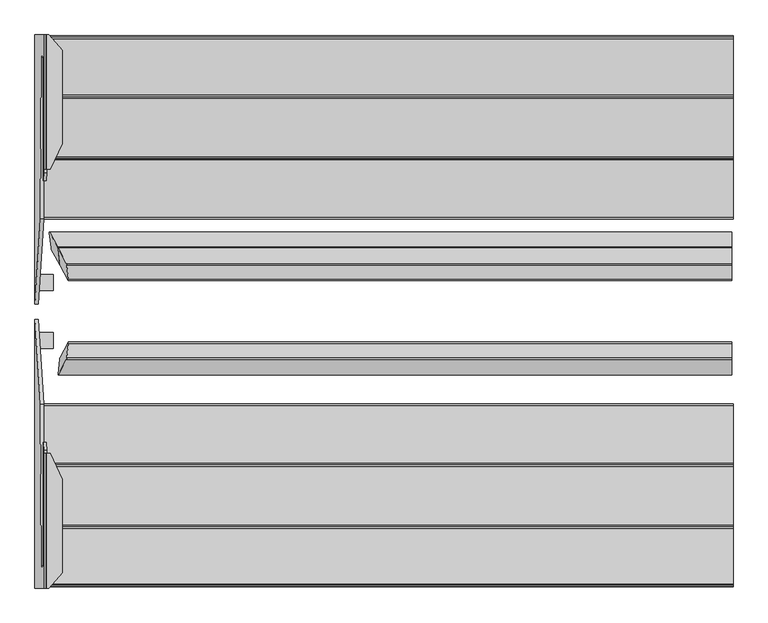
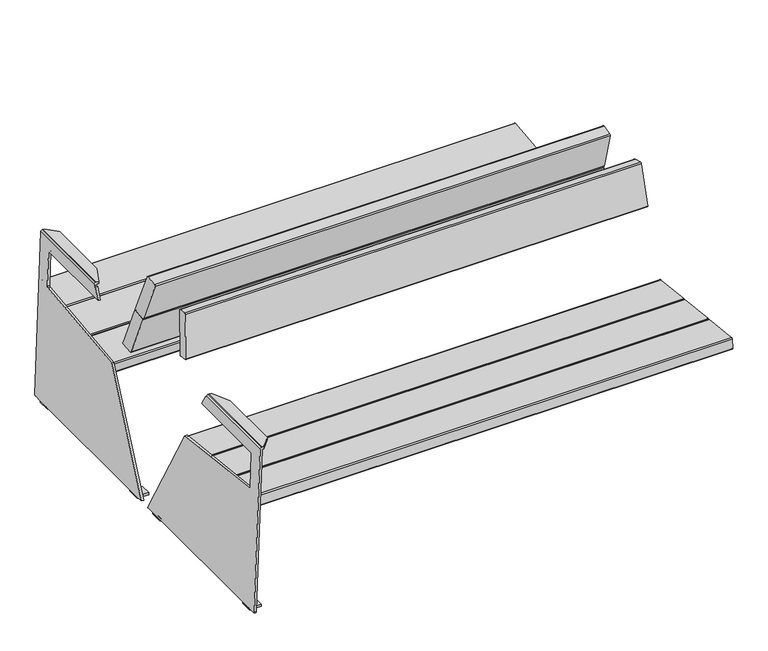
"""IFC4 building model written with IfcOpenShell, lengths in millimetres: furniture geometry."""

from ifc_helpers import new_model, si_unit, point, frame, frame_2d, origin, place, context, project, spatial, polyline, circle_curve, ellipse_curve, trimmed, segment, composite_curve, outline, extrude, source, transform, mapped, element, save
from ifc_brep_helpers import plane_surface, cylinder_surface, revolved_surface, advanced_brep


def furniture_8612ed73(model_context):
    return source(origin(), model_context, "Body", "SolidModel", [
        advanced_brep(
        [(-859.6494877, 1047.2775188, 634.6042367), (-853.6895812, 1047.2775188, 640.3596516), (-851.4436279, 1047.2775188, 640.3596516), (-846.5946295, 1047.2775188, 640.3596516), (-846.5946295, 1047.2775188, 632.2382321), (-850.2766357, 1047.2775188, 632.2382321), (-851.7778593, 1047.2775188, 630.7885173), (-873.3168867, 1047.2775188, 13.9914716), (-881.3120133, 1047.2775188, 14.2706676), (-851.7778593, 710.955021, 630.7885173), (-850.2766357, 710.955021, 632.2382321), (-842.6377771, 710.955021, 632.2382321), (-842.6377771, 710.955021, 640.3596516), (-851.4436279, 710.955021, 640.3596516), (-853.6895812, 710.955021, 640.3596516), (-859.6494877, 710.955021, 634.6042367), (-859.8164077, 710.955021, 629.8242748), (-851.8212811, 710.955021, 629.5450788), (-812.6404131, 1009.5675412, 632.2382321), (-812.6404131, 775.8579308, 632.2382321), (-812.6404131, 1009.5675412, 640.3596516), (-812.6404131, 775.8579308, 640.3596516), (-881.4516113, 1043.2775188, 10.2731042), (-881.4516113, 1014.2989159, 10.2731042), (-881.4516113, 974.2989159, 10.2731042), (-881.4516113, 447.6111261, 10.2731042), (-881.4516113, 407.6111261, 10.2731042), (-881.4516113, 377.6111261, 10.2731042), (-881.4138659, 374.8756351, 11.3539925), (-867.5075955, 586.3612074, 409.5774734), (-865.9556261, 992.0575716, 454.0200604), (-865.8167736, 995.6219916, 457.9962761), (-861.3419594, 995.6219083, 586.1381898), (-861.2022765, 991.626389, 590.1381847), (-861.1901816, 682.4359884, 590.4845362), (-859.8164077, 703.328245, 629.8242748), (-851.8212811, 703.328245, 629.5450788), (-853.1853111, 682.5841736, 590.4843702), (-853.1974001, 991.626389, 590.1381847), (-853.337083, 995.6219083, 586.1381898), (-857.8118973, 995.6219916, 457.9962761), (-857.9507498, 992.0575716, 454.0200604), (-859.5021169, 586.5186397, 409.5947195), (-873.4187392, 374.8756351, 11.0747965), (-873.4564847, 377.6111261, 9.9939083), (-873.4564847, 407.6111261, 9.9939083), (-873.4886988, 407.6111261, 9.0714168), (-873.4886988, 447.6111261, 9.0714168), (-873.4564847, 447.6111261, 9.9939083), (-873.4564847, 974.2989159, 9.9939083), (-873.4886988, 974.2989159, 9.0714168), (-873.4886988, 1014.2989159, 9.0714168), (-873.4564847, 1014.2989159, 9.9939083), (-873.4564847, 1043.2775188, 9.9939083), (-872.4540437, 1014.2989159, 8.0), (-835.810356, 1014.2989159, 8.0), (-835.810356, 1014.2989159, 0.0), (-873.5140122, 1014.2989159, 0.0), (-881.4516113, 1014.2989159, 8.2703475), (-872.4540437, 974.2989159, 8.0), (-881.4516113, 974.2989159, 8.2703475), (-873.5140122, 974.2989159, 0.0), (-835.810356, 974.2989159, 0.0), (-835.810356, 974.2989159, 8.0), (-872.4540437, 407.6111261, 8.0), (-881.4516113, 407.6111261, 8.2703475), (-873.5140122, 407.6111261, 0.0), (-835.810356, 407.6111261, 0.0), (-835.810356, 407.6111261, 8.0), (-872.4540437, 447.6111261, 8.0), (-835.810356, 447.6111261, 8.0), (-835.810356, 447.6111261, 0.0), (-873.5140122, 447.6111261, 0.0), (-881.4516113, 447.6111261, 8.2703475)],
        [
            (0, 1, circle_curve(frame((-853.6895812, 1047.2775188, 634.3961122), z_axis=(0.0, 1.0, 0.0), x_axis=(1.0, 0.0, 0.0)), 5.9635394)),
            (1, 2),
            (2, 3),
            (3, 4),
            (4, 5),
            (5, 6, circle_curve(frame((-850.2766357, 1047.2775188, 630.7360934), z_axis=(0.0, -1.0, 0.0), x_axis=(1.0, 0.0, 0.0)), 1.5021387)),
            (6, 7),
            (7, 8),
            (8, 0),
            (9, 10, circle_curve(frame((-850.2766357, 710.955021, 630.7360934), z_axis=(0.0, 1.0, 0.0), x_axis=(1.0, 0.0, 0.0)), 1.5021387)),
            (10, 11),
            (11, 12),
            (12, 13),
            (13, 14),
            (14, 15, circle_curve(frame((-853.6895812, 710.955021, 634.3961122), z_axis=(0.0, -1.0, 0.0), x_axis=(1.0, 0.0, 0.0)), 5.9635394)),
            (15, 16),
            (16, 17),
            (17, 9),
            (10, 5),
            (4, 18),
            (18, 19),
            (19, 11),
            (18, 20),
            (20, 21),
            (21, 19),
            (2, 13),
            (12, 21),
            (20, 3),
            (1, 14),
            (15, 0),
            (8, 22, circle_curve(frame((-881.3120133, 1043.2775188, 14.2706676), z_axis=(-0.9993908270190959, 0.0, 0.0348994967025008), x_axis=(-0.0348994967025008, 0.0, -0.9993908270190959)), 4.0)),
            (22, 23),
            (23, 24),
            (24, 25),
            (25, 26),
            (26, 27),
            (27, 28, circle_curve(frame((-881.3120088, 377.6111261, 14.2707962), z_axis=(-0.9993908270190959, 0.0, 0.0348994967025008), x_axis=(-0.0348994967025008, 0.0, -0.9993908270190959)), 4.0001287)),
            (28, 29),
            (29, 30),
            (30, 31, ellipse_curve(frame((-865.8167737, 991.6219916, 457.9962735), z_axis=(0.9993908270190961, 0.0, -0.03489949670249125), x_axis=(0.03489949670248915, 0.0, 0.9993908270190963)), 4.0024382, 4.0)),
            (31, 32),
            (32, 33, ellipse_curve(frame((-861.3419595, 991.6219083, 586.1381872), z_axis=(0.9993908270190961, 0.0, -0.03489949670249125), x_axis=(0.03489949670248915, 0.0, 0.9993908270190963)), 4.0024382, 4.0)),
            (33, 34),
            (34, 35),
            (35, 16),
            (6, 9),
            (17, 36),
            (36, 37),
            (37, 38),
            (38, 39, ellipse_curve(frame((-853.3370831, 991.6219083, 586.1381872), z_axis=(-0.9993908270190955, 0.0, 0.03489949670250719), x_axis=(0.03489949670250501, 0.0, 0.9993908270190955)), 4.0024382, 4.0)),
            (39, 40),
            (40, 41, ellipse_curve(frame((-857.8118974, 991.6219916, 457.9962735), z_axis=(-0.9993908270190955, 0.0, 0.03489949670250719), x_axis=(0.03489949670250501, 0.0, 0.9993908270190955)), 4.0024382, 4.0)),
            (41, 42),
            (42, 43),
            (43, 44, circle_curve(frame((-873.3168822, 377.6111261, 13.9916002), z_axis=(0.9993908270190959, 0.0, -0.0348994967025008), x_axis=(-0.0348994967025008, 0.0, -0.9993908270190959)), 4.0001287)),
            (44, 45),
            (45, 46),
            (46, 47),
            (47, 48),
            (48, 49),
            (49, 50),
            (50, 51),
            (51, 52),
            (52, 53),
            (53, 7, circle_curve(frame((-873.3168867, 1043.2775188, 13.9914716), z_axis=(0.9993908270190959, 0.0, -0.0348994967025008), x_axis=(-0.0348994967025008, 0.0, -0.9993908270190959)), 4.0)),
            (28, 43),
            (42, 29),
            (36, 35),
            (34, 37),
            (27, 44),
            (26, 45),
            (22, 53),
            (52, 23),
            (24, 49),
            (48, 25),
            (54, 55),
            (55, 56),
            (56, 57),
            (57, 58, circle_curve(frame((-873.1742893, 1014.2989159, 8.2703475), z_axis=(0.0, 1.0, 0.0), x_axis=(1.0, 0.0, 0.0)), 8.277322)),
            (58, 23),
            (51, 54, circle_curve(frame((-872.4540437, 1014.2989159, 9.0352858), z_axis=(0.0, -1.0, 0.0), x_axis=(1.0, 0.0, 0.0)), 1.0352858)),
            (59, 50, circle_curve(frame((-872.4540437, 974.2989159, 9.0352858), z_axis=(0.0, 1.0, 0.0), x_axis=(1.0, 0.0, 0.0)), 1.0352858)),
            (24, 60),
            (60, 61, circle_curve(frame((-873.1742893, 974.2989159, 8.2703475), z_axis=(0.0, -1.0, 0.0), x_axis=(1.0, 0.0, 0.0)), 8.277322)),
            (61, 62),
            (62, 63),
            (63, 59),
            (59, 54),
            (56, 62),
            (61, 57),
            (55, 63),
            (58, 60),
            (64, 46, circle_curve(frame((-872.4540437, 407.6111261, 9.0352858), z_axis=(0.0, 1.0, 0.0), x_axis=(1.0, 0.0, 0.0)), 1.0352858)),
            (26, 65),
            (65, 66, circle_curve(frame((-873.1742893, 407.6111261, 8.2703475), z_axis=(0.0, -1.0, 0.0), x_axis=(1.0, 0.0, 0.0)), 8.277322)),
            (66, 67),
            (67, 68),
            (68, 64),
            (69, 70),
            (70, 71),
            (71, 72),
            (72, 73, circle_curve(frame((-873.1742893, 447.6111261, 8.2703475), z_axis=(0.0, 1.0, 0.0), x_axis=(1.0, 0.0, 0.0)), 8.277322)),
            (73, 25),
            (47, 69, circle_curve(frame((-872.4540437, 447.6111261, 9.0352858), z_axis=(0.0, -1.0, 0.0), x_axis=(1.0, 0.0, 0.0)), 1.0352858)),
            (64, 69),
            (66, 72),
            (71, 67),
            (70, 68),
            (73, 65),
            (33, 38),
            (32, 39),
            (31, 40),
            (30, 41),
        ],
        [
            plane_surface(frame((-847.7260418, 1047.2775188, 634.3961122), z_axis=(0.0, 1.0, 0.0), x_axis=(0.0, 0.0, -1.0))),
            plane_surface(frame((-847.7260418, 710.955021, 634.3961122), z_axis=(0.0, -1.0, 0.0), x_axis=(0.0, 0.0, 1.0))),
            plane_surface(frame((-812.6404131, 1047.2775188, 632.2382321), z_axis=(0.0, 0.0, -1.0), x_axis=(0.0, -1.0, 0.0))),
            plane_surface(frame((-812.6404131, 1047.2775188, 640.3596516), z_axis=(1.0, 0.0, 0.0), x_axis=(0.0, -1.0, 0.0))),
            plane_surface(frame((-851.4436279, 1047.2775188, 640.3596516), z_axis=(0.0, 0.0, 1.0), x_axis=(0.0, -1.0, 0.0))),
            plane_surface(frame((-853.6895812, 1047.2775188, 640.3596516), z_axis=(0.0, 0.0, 1.0), x_axis=(0.0, -1.0, 0.0))),
            plane_surface(frame((-859.8862566, 1047.2775188, 627.8240627), z_axis=(-0.9993908270190961, 0.0, 0.03489949670249125), x_axis=(0.0, -1.0, 0.0))),
            cylinder_surface(frame((-853.6895812, 710.955021, 634.3961122), z_axis=(0.0, 1.0, 0.0), x_axis=(1.0, 0.0, 0.0)), 5.9635394),
            plane_surface(frame((-851.7778593, 1047.2775188, 630.7885173), z_axis=(0.9993908270190955, 0.0, -0.03489949670250719), x_axis=(0.0, -1.0, 0.0))),
            revolved_surface(polyline([(-848.774497, 710.955021, 630.7360934), (-848.774497, 1047.2775188, 630.7360934)]), (-850.2766357, 710.955021, 630.7360934), (0.0, -1.0, 0.0)),
            plane_surface(frame((-842.6377771, 710.955021, 616.5713791), z_axis=(0.9077348201474655, -0.419544391324504, 0.0), x_axis=(0.0, 0.0, 1.0))),
            plane_surface(frame((-812.6352383, 1009.5617939, 616.5713791), z_axis=(0.7431448254773957, 0.6691306063588567, 0.0), x_axis=(0.0, 0.0, 1.0))),
            plane_surface(frame((-881.4138659, 374.8756351, 11.3539925), z_axis=(0.01636123681982897, -0.8832989769010682, 0.46852452159438995), x_axis=(0.9993908270190958, 0.0, -0.034899496702500754))),
            cylinder_surface(frame((-873.3168822, 377.6111261, 13.9916002), z_axis=(-0.9993908270190959, 0.0, 0.0348994967025008), x_axis=(-0.0348994967025008, 0.0, -0.9993908270190959)), 4.0001287),
            plane_surface(frame((-881.4516113, 1043.2775188, 10.2731042), z_axis=(-0.034899496702500754, 0.0, -0.9993908270190958), x_axis=(0.9993908270190958, 0.0, -0.034899496702500754))),
            cylinder_surface(frame((-873.3168867, 1043.2775188, 13.9914716), z_axis=(-0.9993908270190959, 0.0, 0.0348994967025008), x_axis=(-0.0348994967025008, 0.0, -0.9993908270190959)), 4.0),
            plane_surface(frame((-859.8164077, 703.328245, 629.8242748), z_axis=(0.034899496702506035, 0.0, 0.9993908270190955), x_axis=(0.9993908270190955, 0.0, -0.034899496702506035))),
            plane_surface(frame((-835.810356, 1014.2989159, 8.0), z_axis=(0.0, 1.0, 0.0), x_axis=(1.0, 0.0, 0.0))),
            plane_surface(frame((-835.810356, 974.2989159, 8.0), z_axis=(0.0, -1.0, 0.0), x_axis=(-1.0, 0.0, 0.0))),
            revolved_surface(polyline([(-871.4187579000001, 974.2989159, 9.0352858), (-871.4187579000001, 1014.2989159, 9.0352858)]), (-872.4540437, 974.2989159, 9.0352858), (0.0, -1.0, 0.0)),
            plane_surface(frame((-835.810356, 1014.2989159, 0.0), z_axis=(0.0, 0.0, -1.0), x_axis=(0.0, -1.0, 0.0))),
            plane_surface(frame((-835.810356, 1014.2989159, 8.0), z_axis=(1.0, 0.0, 0.0), x_axis=(0.0, -1.0, 0.0))),
            plane_surface(frame((-872.4540437, 1014.2989159, 8.0), z_axis=(0.0, 0.0, 1.0), x_axis=(0.0, -1.0, 0.0))),
            plane_surface(frame((-881.4516113, 1014.2989159, 8.2703475), z_axis=(-1.0, 0.0, 0.0), x_axis=(0.0, -1.0, 0.0))),
            cylinder_surface(frame((-873.1742893, 974.2989159, 8.2703475), z_axis=(0.0, 1.0, 0.0), x_axis=(1.0, 0.0, 0.0)), 8.277322),
            plane_surface(frame((-871.4187578, 407.6111261, 9.0352858), z_axis=(0.0, -1.0, 0.0), x_axis=(0.0, 0.0, -1.0))),
            plane_surface(frame((-871.4187578, 447.6111261, 9.0352858), z_axis=(0.0, 1.0, 0.0), x_axis=(0.0, 0.0, 1.0))),
            revolved_surface(polyline([(-871.4187579000001, 447.6111261, 9.0352858), (-871.4187579000001, 407.6111261, 9.0352858)]), (-872.4540437, 447.6111261, 9.0352858), (0.0, 1.0, 0.0)),
            plane_surface(frame((-873.5140122, 407.6111261, 0.0), z_axis=(0.0, 0.0, -1.0), x_axis=(0.0, 1.0, 0.0))),
            plane_surface(frame((-835.810356, 407.6111261, 0.0), z_axis=(1.0, 0.0, 0.0), x_axis=(0.0, 1.0, 0.0))),
            plane_surface(frame((-835.810356, 407.6111261, 8.0), z_axis=(0.0, 0.0, 1.0), x_axis=(0.0, 1.0, 0.0))),
            plane_surface(frame((-881.4516113, 407.6111261, 10.2731042), z_axis=(-1.0, 0.0, 0.0), x_axis=(0.0, 1.0, 0.0))),
            cylinder_surface(frame((-873.1742893, 447.6111261, 8.2703475), z_axis=(0.0, -1.0, 0.0), x_axis=(1.0, 0.0, 0.0)), 8.277322),
            plane_surface(frame((-812.6404131, 991.626389, 590.1381847), z_axis=(0.0, -0.0011201877232388628, -0.9999993725895355), x_axis=(-1.0, 0.0, 0.0))),
            revolved_surface(polyline([(-853.1974000212371, 995.6219083, 586.1381872), (-861.4816425787628, 995.6219083, 586.1381872)]), (-919.9232064, 991.6219083, 586.1381872), (1.0, 0.0, 0.0)),
            plane_surface(frame((-812.6404131, 995.6219916, 457.9962761), z_axis=(0.0, -0.9999999999997885, -6.504329975293946e-07), x_axis=(-1.0, 0.0, 0.0))),
            revolved_surface(polyline([(-857.6722143212371, 995.6219916, 457.9962735), (-865.9564567787628, 995.6219916, 457.9962735)]), (-919.9232064, 991.6219916, 457.9962735), (1.0, 0.0, 0.0)),
            plane_surface(frame((-812.6404131, 586.0959716, 409.5484177), z_axis=(0.0, -0.10889498268372896, 0.994053259511939), x_axis=(-1.0, 0.0, 0.0))),
        ],
        [
            (0, [[1, 2, 3, 4, 5, 6, 7, 8, 9]]),
            (1, [[10, 11, 12, 13, 14, 15, 16, 17, 18]]),
            (2, [[19, -5, 20, 21, 22, -11]]),
            (3, [[-21, 23, 24, 25]]),
            (4, [[26, -13, 27, -24, 28, -3]]),
            (5, [[-2, 29, -14, -26]]),
            (6, [[30, -9, 31, 32, 33, 34, 35, 36, 37, 38, 39, 40, 41, 42, 43, 44, 45, -16]]),
            (7, [[-1, -30, -15, -29]]),
            (8, [[46, -18, 47, 48, 49, 50, 51, 52, 53, 54, 55, 56, 57, 58, 59, 60, 61, 62, 63, 64, 65, -7]]),
            (9, [[-6, -19, -10, -46]]),
            (10, [[-12, -22, -25, -27]]),
            (11, [[-4, -28, -23, -20]]),
            (12, [[66, -54, 67, -38]]),
            (12, [[68, -44, 69, -48]]),
            (13, [[-37, 70, -55, -66]]),
            (14, [[-70, -36, 71, -56]]),
            (14, [[72, -64, 73, -32]]),
            (14, [[74, -60, 75, -34]]),
            (15, [[-31, -8, -65, -72]]),
            (16, [[-68, -47, -17, -45]]),
            (17, [[76, 77, 78, 79, 80, -73, -63, 81]]),
            (18, [[82, -61, -74, 83, 84, 85, 86, 87]]),
            (19, [[-81, -62, -82, 88]]),
            (20, [[-78, 89, -85, 90]]),
            (21, [[-77, 91, -86, -89]]),
            (22, [[-76, -88, -87, -91]]),
            (23, [[-80, 92, -83, -33]]),
            (24, [[-79, -90, -84, -92]]),
            (25, [[93, -57, -71, 94, 95, 96, 97, 98]]),
            (26, [[99, 100, 101, 102, 103, -75, -59, 104]]),
            (27, [[-93, 105, -104, -58]]),
            (28, [[-96, 106, -101, 107]]),
            (29, [[-97, -107, -100, 108]]),
            (30, [[-98, -108, -99, -105]]),
            (31, [[-94, -35, -103, 109]]),
            (32, [[-95, -109, -102, -106]]),
            (33, [[110, -49, -69, -43]]),
            (34, [[-110, -42, 111, -50]]),
            (35, [[-111, -41, 112, -51]]),
            (36, [[-112, -40, 113, -52]]),
            (37, [[-113, -39, -67, -53]]),
        ],
    ),
        extrude(outline(composite_curve([segment(polyline([(123.89758, 403.0394202), (120.1847471, 369.0041334)]), True, "CONTINUOUS"), segment(trimmed(circle_curve(frame_2d((116.2083371, 369.4379111)), 4.0), [point((120.1847471, 369.0041334))], [point((115.7745594, 365.461501))], False, "CARTESIAN"), True, "CONTINUOUS"), segment(polyline([(115.7745594, 365.461501), (-28.0119942, 381.1468525)]), True, "CONTINUOUS"), segment(trimmed(circle_curve(frame_2d((-27.5782165, 385.1232626)), 4.0), [point((-28.0119942, 381.1468525))], [point((-31.5546266, 385.5570402))], False, "CARTESIAN"), True, "CONTINUOUS"), segment(polyline([(-31.5546266, 385.5570402), (-27.8415449, 419.594608)]), True, "CONTINUOUS"), segment(trimmed(circle_curve(frame_2d((-23.8651349, 419.1608304)), 4.0), [point((-27.8415449, 419.594608))], [point((-23.4312942, 423.1372336))], False, "CARTESIAN"), True, "CONTINUOUS"), segment(polyline([(-23.4312942, 423.1372336), (120.3550106, 407.449601)]), True, "CONTINUOUS"), segment(trimmed(circle_curve(frame_2d((119.9211699, 403.4731979)), 4.0), [point((120.3550106, 407.449601))], [point((123.89758, 403.0394202))], False, "CARTESIAN"), True, "CONTINUOUS")], self_intersect=False)), frame((-862.7477225, 0.0, 0.0), z_axis=(1.0, 0.0, 0.0), x_axis=(0.0, 1.0, 0.0)), (0.0, 0.0, 1.0), 1726.2047102),
        extrude(outline(composite_curve([segment(polyline([(-27.8415312, 419.5947342), (-31.5546192, 385.5571081)]), True, "CONTINUOUS"), segment(trimmed(circle_curve(frame_2d((-35.5310293, 385.9908857)), 4.0), [point((-31.5546192, 385.5571081))], [point((-35.9648069, 382.0144756))], False, "CARTESIAN"), True, "CONTINUOUS"), segment(polyline([(-35.9648069, 382.0144756), (-182.9047672, 398.0438252)]), True, "CONTINUOUS"), segment(trimmed(circle_curve(frame_2d((-182.4709896, 402.0202353)), 4.0), [point((-182.9047672, 398.0438252))], [point((-186.4473996, 402.4540129))], False, "CARTESIAN"), True, "CONTINUOUS"), segment(polyline([(-186.4473996, 402.4540129), (-182.7340573, 436.49397)]), True, "CONTINUOUS"), segment(trimmed(circle_curve(frame_2d((-178.7576472, 436.0601924)), 4.0), [point((-182.7340573, 436.49397))], [point((-178.3238065, 440.0365956))], False, "CARTESIAN"), True, "CONTINUOUS"), segment(polyline([(-178.3238065, 440.0365956), (-31.3841005, 424.004915)]), True, "CONTINUOUS"), segment(trimmed(circle_curve(frame_2d((-31.8179412, 420.0285118)), 4.0), [point((-31.3841005, 424.004915))], [point((-27.8415312, 419.5947342))], False, "CARTESIAN"), True, "CONTINUOUS")], self_intersect=False)), frame((-862.7477225, 0.0, 0.0), z_axis=(1.0, 0.0, 0.0), x_axis=(0.0, 1.0, 0.0)), (0.0, 0.0, 1.0), 1726.2047102),
        extrude(outline(composite_curve([segment(polyline([(-182.7340435, 436.4940962), (-186.4473882, 402.4541179)]), True, "CONTINUOUS"), segment(trimmed(circle_curve(frame_2d((-190.4237982, 402.8878955)), 4.0), [point((-186.4473882, 402.4541179))], [point((-190.8575759, 398.9114855))], False, "CARTESIAN"), True, "CONTINUOUS"), segment(polyline([(-190.8575759, 398.9114855), (-329.8125073, 414.0697662)]), True, "CONTINUOUS"), segment(trimmed(circle_curve(frame_2d((-329.3787297, 418.0461763)), 4.0), [point((-329.8125073, 414.0697662))], [point((-333.3551397, 418.4799539))], False, "CARTESIAN"), True, "CONTINUOUS"), segment(polyline([(-333.3551397, 418.4799539), (-329.6415546, 452.5221365)]), True, "CONTINUOUS"), segment(trimmed(circle_curve(frame_2d((-325.6651446, 452.0883589)), 4.0), [point((-329.6415546, 452.5221365))], [point((-325.2313039, 456.0647621))], False, "CARTESIAN"), True, "CONTINUOUS"), segment(polyline([(-325.2313039, 456.0647621), (-186.2766129, 440.904277)]), True, "CONTINUOUS"), segment(trimmed(circle_curve(frame_2d((-186.7104536, 436.9278738)), 4.0), [point((-186.2766129, 440.904277))], [point((-182.7340435, 436.4940962))], False, "CARTESIAN"), True, "CONTINUOUS")], self_intersect=False)), frame((-862.7477225, 0.0, 0.0), z_axis=(1.0, 0.0, 0.0), x_axis=(0.0, 1.0, 0.0)), (0.0, 0.0, 1.0), 1726.2047102),
        advanced_brep(
        [(-819.5114244, 475.6484569, 632.7883109), (-818.5151549, 470.7317492, 635.5858488), (-797.9147476, 432.4980687, 774.7668691), (-797.769216, 435.295586, 779.6835409), (-801.703828, 470.9736937, 789.4847667), (-802.7000976, 475.8904015, 786.687229), (-823.300506, 514.1240904, 647.506209), (-823.4460376, 511.3265729, 642.5895369), (859.6028254, 475.6484569, 632.7883109), (859.6028254, 511.3265729, 642.5895369), (859.6028254, 514.1240904, 647.506209), (859.6028254, 475.8904015, 786.687229), (859.6028254, 470.9736937, 789.4847667), (859.6028254, 435.295586, 779.6835409), (859.6028254, 432.4980687, 774.7668691), (859.6028254, 470.7317492, 635.5858488)],
        [
            (0, 1, ellipse_curve(frame((-818.9405239, 474.5888618, 636.6454158), z_axis=(-0.9845272064646966, -0.13817840671662318, 0.10776320173452716), x_axis=(0.175231788585349, -0.776345444263946, 0.6054598016712555)), 4.0628639, 4.0)),
            (1, 2),
            (2, 3, ellipse_curve(frame((-798.3401166, 436.3551813, 775.8264361), z_axis=(-0.9845272064646966, -0.13817840671662318, 0.10776320173452716), x_axis=(0.175231788585349, -0.776345444263946, 0.6054598016712555)), 4.0628639, 4.0)),
            (3, 4),
            (4, 5, ellipse_curve(frame((-802.2747286, 472.033289, 785.6276619), z_axis=(-0.9845272064646966, -0.13817840671662318, 0.10776320173452716), x_axis=(0.175231788585349, -0.776345444263946, 0.6054598016712555)), 4.0628639, 4.0)),
            (5, 6),
            (6, 7, ellipse_curve(frame((-822.875137, 510.2669778, 646.4466418), z_axis=(-0.9845272064646966, -0.13817840671662318, 0.10776320173452716), x_axis=(0.175231788585349, -0.776345444263946, 0.6054598016712555)), 4.0628639, 4.0)),
            (7, 0),
            (8, 9),
            (9, 10, circle_curve(frame((859.6028254, 510.2669778, 646.4466418), z_axis=(1.0, 0.0, 0.0), x_axis=(0.0, 1.0, 0.0)), 4.0)),
            (10, 11),
            (11, 12, circle_curve(frame((859.6028254, 472.033289, 785.6276619), z_axis=(1.0, 0.0, 0.0), x_axis=(0.0, 1.0, 0.0)), 4.0)),
            (12, 13),
            (13, 14, circle_curve(frame((859.6028254, 436.3551813, 775.8264361), z_axis=(1.0, 0.0, 0.0), x_axis=(0.0, 1.0, 0.0)), 4.0)),
            (14, 15),
            (15, 8, circle_curve(frame((859.6028254, 474.5888618, 636.6454158), z_axis=(1.0, 0.0, 0.0), x_axis=(0.0, 1.0, 0.0)), 4.0)),
            (15, 1),
            (0, 8),
            (14, 2),
            (13, 3),
            (12, 4),
            (11, 5),
            (10, 6),
            (9, 7),
        ],
        [
            plane_surface(frame((-841.6872716, 510.5395139, 474.9279847), z_axis=(-0.9845272064646966, -0.13817840671662318, 0.10776320173452716), x_axis=(-0.10213209083076567, 0.9522059736125502, 0.2878763968079209))),
            plane_surface(frame((859.6028254, 511.3265975, 642.5895436), z_axis=(1.0, 0.0, 0.0), x_axis=(0.0, 0.9642762254474659, 0.2648987750760428))),
            cylinder_surface(frame((-826.6787284, 474.5888618, 636.6454158), z_axis=(1.0, 0.0, 0.0), x_axis=(0.0, 1.0, 0.0)), 4.0),
            plane_surface(frame((859.6028254, 432.4980687, 774.7668691), z_axis=(0.0, -0.9642781573688651, -0.2648917424558689), x_axis=(-1.0, 0.0, 0.0))),
            cylinder_surface(frame((-826.6787284, 436.3551813, 775.8264361), z_axis=(1.0, 0.0, 0.0), x_axis=(0.0, 1.0, 0.0)), 4.0),
            plane_surface(frame((859.6028254, 470.9736937, 789.4847667), z_axis=(0.0, -0.2648988265500041, 0.9642762113069215), x_axis=(-1.0, 0.0, 0.0))),
            cylinder_surface(frame((-826.6787284, 472.033289, 785.6276619), z_axis=(1.0, 0.0, 0.0), x_axis=(0.0, 1.0, 0.0)), 4.0),
            plane_surface(frame((859.6028254, 514.1240904, 647.506209), z_axis=(0.0, 0.9642781425237718, 0.2648917964960497), x_axis=(-1.0, 0.0, 0.0))),
            cylinder_surface(frame((-826.6787284, 510.2669778, 646.4466418), z_axis=(1.0, 0.0, 0.0), x_axis=(0.0, 1.0, 0.0)), 4.0),
            plane_surface(frame((859.6028254, 475.6484569, 632.7883109), z_axis=(0.0, 0.2648987750760428, -0.9642762254474659), x_axis=(-1.0, 0.0, 0.0))),
        ],
        [
            (0, [[1, 2, 3, 4, 5, 6, 7, 8]]),
            (1, [[9, 10, 11, 12, 13, 14, 15, 16]]),
            (2, [[-16, 17, -1, 18]]),
            (3, [[-15, 19, -2, -17]]),
            (4, [[-14, 20, -3, -19]]),
            (5, [[-13, 21, -4, -20]]),
            (6, [[-12, 22, -5, -21]]),
            (7, [[-11, 23, -6, -22]]),
            (8, [[-10, 24, -7, -23]]),
            (9, [[-9, -18, -8, -24]]),
        ],
    ),
        advanced_brep(
        [(859.6028254, 515.8225178, 486.5435624), (859.6028254, 551.5006334, 496.3447884), (859.6028254, 554.2981509, 501.2614604), (859.6028254, 516.2431611, 639.7919674), (859.6028254, 511.3264532, 642.589505), (859.6028254, 475.6483459, 632.7882793), (859.6028254, 472.8508286, 627.8716075), (859.6028254, 510.90581, 489.3411004), (-840.1610677, 510.90581, 489.3411004), (-841.1573372, 515.8225178, 486.5435624), (-819.6569439, 472.8508286, 627.8716075), (-819.5114123, 475.6483459, 632.7882793), (-823.4460243, 511.3264532, 642.589505), (-824.4422939, 516.2431611, 639.7919674), (-844.9464188, 554.2981509, 501.2614604), (-845.0919504, 551.5006334, 496.3447884)],
        [
            (0, 1),
            (1, 2, circle_curve(frame((859.6028254, 550.4410383, 500.2018933), z_axis=(1.0, 0.0, 0.0), x_axis=(0.0, 1.0, 0.0)), 4.0)),
            (2, 3),
            (3, 4, circle_curve(frame((859.6028254, 512.3860486, 638.7324002), z_axis=(1.0, 0.0, 0.0), x_axis=(0.0, 1.0, 0.0)), 4.0)),
            (4, 5),
            (5, 6, circle_curve(frame((859.6028254, 476.7079412, 628.9311745), z_axis=(1.0, 0.0, 0.0), x_axis=(0.0, 1.0, 0.0)), 4.0)),
            (6, 7),
            (7, 0, circle_curve(frame((859.6028254, 514.7629227, 490.4006673), z_axis=(1.0, 0.0, 0.0), x_axis=(0.0, 1.0, 0.0)), 4.0)),
            (7, 8),
            (8, 9, ellipse_curve(frame((-840.5864367, 514.7629227, 490.4006673), z_axis=(0.9845272064646966, 0.13817840671662318, -0.10776320173452716), x_axis=(0.175231788585349, -0.776345444263946, 0.6054598016712555)), 4.0628639, 4.0)),
            (9, 0),
            (6, 10),
            (10, 8),
            (5, 11),
            (11, 10, ellipse_curve(frame((-820.0823129, 476.7079412, 628.9311745), z_axis=(0.9845272064646966, 0.13817840671662318, -0.10776320173452716), x_axis=(0.175231788585349, -0.776345444263946, 0.6054598016712555)), 4.0628639, 4.0)),
            (4, 12),
            (12, 11),
            (3, 13),
            (13, 12, ellipse_curve(frame((-824.0169249, 512.3860486, 638.7324002), z_axis=(0.9845272064646966, 0.13817840671662318, -0.10776320173452716), x_axis=(0.175231788585349, -0.776345444263946, 0.6054598016712555)), 4.0628639, 4.0)),
            (2, 14),
            (14, 13),
            (1, 15),
            (15, 14, ellipse_curve(frame((-844.5210498, 550.4410383, 500.2018933), z_axis=(0.9845272064646966, 0.13817840671662318, -0.10776320173452716), x_axis=(0.175231788585349, -0.776345444263946, 0.6054598016712555)), 4.0628639, 4.0)),
            (9, 15),
        ],
        [
            plane_surface(frame((859.6028254, 551.5006208, 496.3447849), z_axis=(1.0, 0.0, 0.0), x_axis=(0.0, 0.964276225447465, 0.26489877507604587))),
            cylinder_surface(frame((-849.4957131, 514.7629227, 490.4006673), z_axis=(1.0, 0.0, 0.0), x_axis=(0.0, 1.0, 0.0)), 4.0),
            plane_surface(frame((859.6028254, 472.8508286, 627.8716075), z_axis=(0.0, -0.9642781573688654, -0.2648917424558683), x_axis=(-1.0, 0.0, 0.0))),
            cylinder_surface(frame((-849.4957131, 476.7079412, 628.9311745), z_axis=(1.0, 0.0, 0.0), x_axis=(0.0, 1.0, 0.0)), 4.0),
            plane_surface(frame((859.6028254, 511.3264532, 642.589505), z_axis=(0.0, -0.2648988265500034, 0.9642762113069218), x_axis=(-1.0, 0.0, 0.0))),
            cylinder_surface(frame((-849.4957131, 512.3860486, 638.7324002), z_axis=(1.0, 0.0, 0.0), x_axis=(0.0, 1.0, 0.0)), 4.0),
            plane_surface(frame((859.6028254, 554.2981509, 501.2614604), z_axis=(0.0, 0.9642781425237719, 0.26489179649604944), x_axis=(-1.0, 0.0, 0.0))),
            cylinder_surface(frame((-849.4957131, 550.4410383, 500.2018933), z_axis=(1.0, 0.0, 0.0), x_axis=(0.0, 1.0, 0.0)), 4.0),
            plane_surface(frame((859.6028254, 515.8225178, 486.5435624), z_axis=(0.0, 0.26489877507604587, -0.964276225447465), x_axis=(-1.0, 0.0, 0.0))),
            plane_surface(frame((-841.6872716, 510.5395139, 474.9279847), z_axis=(-0.9845272064646966, -0.13817840671662318, 0.10776320173452716), x_axis=(-0.10213209083076567, 0.9522059736125502, 0.2878763968079209))),
        ],
        [
            (0, [[1, 2, 3, 4, 5, 6, 7, 8]]),
            (1, [[-8, 9, 10, 11]]),
            (2, [[-7, 12, 13, -9]]),
            (3, [[-6, 14, 15, -12]]),
            (4, [[-5, 16, 17, -14]]),
            (5, [[-4, 18, 19, -16]]),
            (6, [[-3, 20, 21, -18]]),
            (7, [[-2, 22, 23, -20]]),
            (8, [[-1, -11, 24, -22]]),
            (9, [[-10, -13, -15, -17, -19, -21, -23, -24]]),
        ],
    ),
        extrude(outline(polyline([(0.0, -19.9999999), (0.0, 0.0), (1612.8148813, 0.0), (1612.8148813, -19.9999999), (0.0, -19.9999999)])), frame((806.271869, 708.9963741, 329.0549245), z_axis=(0.0, -0.10862274800818948, 0.9940830441241564), x_axis=(-1.0, 0.0, 0.0)), (0.0, 0.0, 1.0), 40.0),
        extrude(outline(polyline([(0.0, -20.0), (0.0, 0.0), (1612.8148813, 0.0), (1612.8148813, -20.0), (0.0, -20.0)])), frame((806.271869, 923.2070815, 352.4615763), z_axis=(0.0, -0.10862274800818948, 0.9940830441241564), x_axis=(-1.0, 0.0, 0.0)), (0.0, 0.0, 1.0), 40.0),
        extrude(outline(composite_curve([segment(trimmed(circle_curve(frame_2d((591.158367, 402.3317688)), 4.0), [point((587.181957, 401.8979912))], [point((590.7245263, 406.308172))], False, "CARTESIAN"), True, "CONTINUOUS"), segment(polyline([(590.7245263, 406.308172), (733.6827839, 421.9054614)]), True, "CONTINUOUS"), segment(trimmed(circle_curve(frame_2d((734.1166246, 417.9290582)), 4.0), [point((733.6827839, 421.9054614))], [point((738.0930346, 418.3628359))], False, "CARTESIAN"), True, "CONTINUOUS"), segment(polyline([(738.0930346, 418.3628359), (741.6815989, 385.4667103)]), True, "CONTINUOUS"), segment(trimmed(circle_curve(frame_2d((737.7051889, 385.0329326)), 4.0), [point((741.6815989, 385.4667103))], [point((738.1389665, 381.0565226))], False, "CARTESIAN"), True, "CONTINUOUS"), segment(polyline([(738.1389665, 381.0565226), (595.1804616, 365.461501)]), True, "CONTINUOUS"), segment(trimmed(circle_curve(frame_2d((594.7466839, 369.4379111)), 4.0), [point((595.1804616, 365.461501))], [point((590.7702739, 369.0041334))], False, "CARTESIAN"), True, "CONTINUOUS"), segment(polyline([(590.7702739, 369.0041334), (587.181957, 401.8979912)]), True, "CONTINUOUS")], self_intersect=False)), frame((-862.974681, 0.0, 0.0), z_axis=(1.0, 0.0, 0.0), x_axis=(0.0, 1.0, 0.0)), (0.0, 0.0, 1.0), 1726.4316686),
        extrude(outline(composite_curve([segment(trimmed(circle_curve(frame_2d((742.0694309, 418.7967396)), 4.0), [point((738.0930209, 418.362962))], [point((741.6355902, 422.7731428))], False, "CARTESIAN"), True, "CONTINUOUS"), segment(polyline([(741.6355902, 422.7731428), (888.3456792, 438.7797713)]), True, "CONTINUOUS"), segment(trimmed(circle_curve(frame_2d((888.7795199, 434.8033681)), 4.0), [point((888.3456792, 438.7797713))], [point((892.7559299, 435.2371458))], False, "CARTESIAN"), True, "CONTINUOUS"), segment(polyline([(892.7559299, 435.2371458), (896.3447545, 402.3386345)]), True, "CONTINUOUS"), segment(trimmed(circle_curve(frame_2d((892.3683444, 401.9048569)), 4.0), [point((896.3447545, 402.3386345))], [point((892.8021221, 397.9284468))], False, "CARTESIAN"), True, "CONTINUOUS"), segment(polyline([(892.8021221, 397.9284468), (746.0917792, 381.9241457)]), True, "CONTINUOUS"), segment(trimmed(circle_curve(frame_2d((745.6580016, 385.9005557)), 4.0), [point((746.0917792, 381.9241457))], [point((741.6815915, 385.4667781))], False, "CARTESIAN"), True, "CONTINUOUS"), segment(polyline([(741.6815915, 385.4667781), (738.0930209, 418.362962)]), True, "CONTINUOUS")], self_intersect=False)), frame((-862.974681, 0.0, 0.0), z_axis=(1.0, 0.0, 0.0), x_axis=(0.0, 1.0, 0.0)), (0.0, 0.0, 1.0), 1726.4316686),
        extrude(outline(composite_curve([segment(trimmed(circle_curve(frame_2d((896.7323262, 435.6710496)), 4.0), [point((892.7559162, 435.2372719))], [point((896.2984855, 439.6474527))], False, "CARTESIAN"), True, "CONTINUOUS"), segment(polyline([(896.2984855, 439.6474527), (1036.8835263, 454.9858152)]), True, "CONTINUOUS"), segment(trimmed(circle_curve(frame_2d((1037.317367, 451.009412)), 4.0), [point((1036.8835263, 454.9858152))], [point((1041.2937771, 451.4431896))], False, "CARTESIAN"), True, "CONTINUOUS"), segment(polyline([(1041.2937771, 451.4431896), (1044.8828472, 418.542427)]), True, "CONTINUOUS"), segment(trimmed(circle_curve(frame_2d((1040.9064372, 418.1086494)), 4.0), [point((1044.8828472, 418.542427))], [point((1041.3402148, 414.1322393))], False, "CARTESIAN"), True, "CONTINUOUS"), segment(polyline([(1041.3402148, 414.1322393), (900.7549307, 398.7961071)]), True, "CONTINUOUS"), segment(trimmed(circle_curve(frame_2d((900.3211531, 402.7725171)), 4.0), [point((900.7549307, 398.7961071))], [point((896.344743, 402.3387395))], False, "CARTESIAN"), True, "CONTINUOUS"), segment(polyline([(896.344743, 402.3387395), (892.7559162, 435.2372719)]), True, "CONTINUOUS")], self_intersect=False)), frame((-862.974681, 0.0, 0.0), z_axis=(1.0, 0.0, 0.0), x_axis=(0.0, 1.0, 0.0)), (0.0, 0.0, 1.0), 1726.4316686),
        advanced_brep(
        [(-851.7778593, -336.3224978, 630.7885173), (-850.2766357, -336.3224978, 632.2382321), (-846.5946295, -336.3224978, 632.2382321), (-846.5946295, -336.3224978, 640.3596516), (-851.4436279, -336.3224978, 640.3596516), (-853.6895812, -336.3224978, 640.3596516), (-859.6494877, -336.3224978, 634.6042367), (-881.3120133, -336.3224978, 14.2706676), (-873.3168867, -336.3224978, 13.9914716), (-859.6494877, 0.0, 634.6042367), (-853.6895812, 0.0, 640.3596516), (-851.4436279, 0.0, 640.3596516), (-842.6377771, 0.0, 640.3596516), (-842.6377771, 0.0, 632.2382321), (-850.2766357, 0.0, 632.2382321), (-851.7778593, 0.0, 630.7885173), (-851.8212811, 0.0, 629.5450788), (-859.8164077, 0.0, 629.8242748), (-812.6404131, -64.9029098, 632.2382321), (-812.6404131, -298.6125202, 632.2382321), (-812.6404131, -64.9029098, 640.3596516), (-812.6404131, -298.6125202, 640.3596516), (-859.8164077, 7.626776, 629.8242748), (-861.1901816, 28.5190326, 590.4845362), (-861.2022765, -280.671368, 590.1381847), (-861.3419594, -284.6668873, 586.1381898), (-865.8167736, -284.6669706, 457.9962761), (-865.9556261, -281.1025506, 454.0200604), (-867.5075955, 124.5938136, 409.5774734), (-881.4138659, 336.0793859, 11.3539925), (-881.4516113, 333.3438949, 10.2731042), (-881.4516113, 303.3438949, 10.2731042), (-881.4516113, 263.3438949, 10.2731042), (-881.4516113, -263.3438949, 10.2731042), (-881.4516113, -303.3438949, 10.2731042), (-881.4516113, -332.3224978, 10.2731042), (-873.4564847, -332.3224978, 9.9939083), (-873.4564847, -303.3438949, 9.9939083), (-873.4886988, -303.3438949, 9.0714168), (-873.4886988, -263.3438949, 9.0714168), (-873.4564847, -263.3438949, 9.9939083), (-873.4564847, 263.3438949, 9.9939083), (-873.4886988, 263.3438949, 9.0714168), (-873.4886988, 303.3438949, 9.0714168), (-873.4564847, 303.3438949, 9.9939083), (-873.4564847, 333.3438949, 9.9939083), (-873.4187392, 336.0793859, 11.0747965), (-859.5021169, 124.4363813, 409.5947195), (-857.9507498, -281.1025506, 454.0200604), (-857.8118973, -284.6669706, 457.9962761), (-853.337083, -284.6668873, 586.1381898), (-853.1974001, -280.671368, 590.1381847), (-853.1853111, 28.3708474, 590.4843702), (-851.8212811, 7.626776, 629.5450788), (-872.4540437, -303.3438949, 8.0), (-881.4516113, -303.3438949, 8.2703475), (-873.5140122, -303.3438949, 0.0), (-835.810356, -303.3438949, 0.0), (-835.810356, -303.3438949, 8.0), (-872.4540437, -263.3438949, 8.0), (-835.810356, -263.3438949, 8.0), (-835.810356, -263.3438949, 0.0), (-873.5140122, -263.3438949, 0.0), (-881.4516113, -263.3438949, 8.2703475), (-872.4540437, 303.3438949, 8.0), (-835.810356, 303.3438949, 8.0), (-835.810356, 303.3438949, 0.0), (-873.5140122, 303.3438949, 0.0), (-881.4516113, 303.3438949, 8.2703475), (-872.4540437, 263.3438949, 8.0), (-881.4516113, 263.3438949, 8.2703475), (-873.5140122, 263.3438949, 0.0), (-835.810356, 263.3438949, 0.0), (-835.810356, 263.3438949, 8.0)],
        [
            (0, 1, circle_curve(frame((-850.2766357, -336.3224978, 630.7360934), z_axis=(0.0, 1.0, 0.0), x_axis=(1.0, 0.0, 0.0)), 1.5021387)),
            (1, 2),
            (2, 3),
            (3, 4),
            (4, 5),
            (5, 6, circle_curve(frame((-853.6895812, -336.3224978, 634.3961122), z_axis=(0.0, -1.0, 0.0), x_axis=(1.0, 0.0, 0.0)), 5.9635394)),
            (6, 7),
            (7, 8),
            (8, 0),
            (9, 10, circle_curve(frame((-853.6895812, 0.0, 634.3961122), z_axis=(0.0, 1.0, 0.0), x_axis=(1.0, 0.0, 0.0)), 5.9635394)),
            (10, 11),
            (11, 12),
            (12, 13),
            (13, 14),
            (14, 15, circle_curve(frame((-850.2766357, 0.0, 630.7360934), z_axis=(0.0, -1.0, 0.0), x_axis=(1.0, 0.0, 0.0)), 1.5021387)),
            (15, 16),
            (16, 17),
            (17, 9),
            (1, 14),
            (13, 18),
            (18, 19),
            (19, 2),
            (18, 20),
            (20, 21),
            (21, 19),
            (11, 4),
            (3, 21),
            (20, 12),
            (10, 5),
            (6, 9),
            (17, 22),
            (22, 23),
            (23, 24),
            (24, 25, ellipse_curve(frame((-861.3419595, -280.6668873, 586.1381872), z_axis=(0.9993908270190961, 0.0, -0.03489949670249125), x_axis=(0.03489949670248915, 0.0, 0.9993908270190963)), 4.0024382, 4.0)),
            (25, 26),
            (26, 27, ellipse_curve(frame((-865.8167737, -280.6669706, 457.9962735), z_axis=(0.9993908270190961, 0.0, -0.03489949670249125), x_axis=(0.03489949670248915, 0.0, 0.9993908270190963)), 4.0024382, 4.0)),
            (27, 28),
            (28, 29),
            (29, 30, circle_curve(frame((-881.3120088, 333.3438949, 14.2707962), z_axis=(-0.9993908270190959, 0.0, 0.0348994967025008), x_axis=(-0.0348994967025008, 0.0, -0.9993908270190959)), 4.0001287)),
            (30, 31),
            (31, 32),
            (32, 33),
            (33, 34),
            (34, 35),
            (35, 7, circle_curve(frame((-881.3120133, -332.3224978, 14.2706676), z_axis=(-0.9993908270190959, 0.0, 0.0348994967025008), x_axis=(-0.0348994967025008, 0.0, -0.9993908270190959)), 4.0)),
            (15, 0),
            (8, 36, circle_curve(frame((-873.3168867, -332.3224978, 13.9914716), z_axis=(0.9993908270190959, 0.0, -0.0348994967025008), x_axis=(-0.0348994967025008, 0.0, -0.9993908270190959)), 4.0)),
            (36, 37),
            (37, 38),
            (38, 39),
            (39, 40),
            (40, 41),
            (41, 42),
            (42, 43),
            (43, 44),
            (44, 45),
            (45, 46, circle_curve(frame((-873.3168822, 333.3438949, 13.9916002), z_axis=(0.9993908270190959, 0.0, -0.0348994967025008), x_axis=(-0.0348994967025008, 0.0, -0.9993908270190959)), 4.0001287)),
            (46, 47),
            (47, 48),
            (48, 49, ellipse_curve(frame((-857.8118974, -280.6669706, 457.9962735), z_axis=(-0.9993908270190955, 0.0, 0.03489949670250719), x_axis=(0.03489949670250501, 0.0, 0.9993908270190955)), 4.0024382, 4.0)),
            (49, 50),
            (50, 51, ellipse_curve(frame((-853.3370831, -280.6668873, 586.1381872), z_axis=(-0.9993908270190955, 0.0, 0.03489949670250719), x_axis=(0.03489949670250501, 0.0, 0.9993908270190955)), 4.0024382, 4.0)),
            (51, 52),
            (52, 53),
            (53, 16),
            (22, 53),
            (52, 23),
            (46, 29),
            (28, 47),
            (45, 30),
            (44, 31),
            (36, 35),
            (34, 37),
            (40, 33),
            (32, 41),
            (54, 38, circle_curve(frame((-872.4540437, -303.3438949, 9.0352858), z_axis=(0.0, 1.0, 0.0), x_axis=(1.0, 0.0, 0.0)), 1.0352858)),
            (34, 55),
            (55, 56, circle_curve(frame((-873.1742893, -303.3438949, 8.2703475), z_axis=(0.0, -1.0, 0.0), x_axis=(1.0, 0.0, 0.0)), 8.277322)),
            (56, 57),
            (57, 58),
            (58, 54),
            (59, 60),
            (60, 61),
            (61, 62),
            (62, 63, circle_curve(frame((-873.1742893, -263.3438949, 8.2703475), z_axis=(0.0, 1.0, 0.0), x_axis=(1.0, 0.0, 0.0)), 8.277322)),
            (63, 33),
            (39, 59, circle_curve(frame((-872.4540437, -263.3438949, 9.0352858), z_axis=(0.0, -1.0, 0.0), x_axis=(1.0, 0.0, 0.0)), 1.0352858)),
            (54, 59),
            (56, 62),
            (61, 57),
            (60, 58),
            (63, 55),
            (64, 65),
            (65, 66),
            (66, 67),
            (67, 68, circle_curve(frame((-873.1742893, 303.3438949, 8.2703475), z_axis=(0.0, 1.0, 0.0), x_axis=(1.0, 0.0, 0.0)), 8.277322)),
            (68, 31),
            (43, 64, circle_curve(frame((-872.4540437, 303.3438949, 9.0352858), z_axis=(0.0, -1.0, 0.0), x_axis=(1.0, 0.0, 0.0)), 1.0352858)),
            (69, 42, circle_curve(frame((-872.4540437, 263.3438949, 9.0352858), z_axis=(0.0, 1.0, 0.0), x_axis=(1.0, 0.0, 0.0)), 1.0352858)),
            (32, 70),
            (70, 71, circle_curve(frame((-873.1742893, 263.3438949, 8.2703475), z_axis=(0.0, -1.0, 0.0), x_axis=(1.0, 0.0, 0.0)), 8.277322)),
            (71, 72),
            (72, 73),
            (73, 69),
            (69, 64),
            (66, 72),
            (71, 67),
            (65, 73),
            (68, 70),
            (51, 24),
            (50, 25),
            (49, 26),
            (48, 27),
        ],
        [
            plane_surface(frame((-859.8862566, -336.3224978, 627.8240627), z_axis=(0.0, -1.0, 0.0), x_axis=(-0.03489949670249125, 0.0, -0.9993908270190961))),
            plane_surface(frame((-859.8862566, 0.0, 627.8240627), z_axis=(0.0, 1.0, 0.0), x_axis=(0.03489949670249125, 0.0, 0.9993908270190961))),
            plane_surface(frame((-850.2766357, -336.3224978, 632.2382321), z_axis=(0.0, 0.0, -1.0), x_axis=(0.0, 1.0, 0.0))),
            plane_surface(frame((-812.6404131, -336.3224978, 632.2382321), z_axis=(1.0, 0.0, 0.0), x_axis=(0.0, 1.0, 0.0))),
            plane_surface(frame((-812.6404131, -336.3224978, 640.3596516), z_axis=(0.0, 0.0, 1.0), x_axis=(0.0, 1.0, 0.0))),
            plane_surface(frame((-851.4436279, -336.3224978, 640.3596516), z_axis=(0.0, 0.0, 1.0), x_axis=(0.0, 1.0, 0.0))),
            plane_surface(frame((-859.6494877, -336.3224978, 634.6042367), z_axis=(-0.9993908270190961, 0.0, 0.03489949670249125), x_axis=(0.0, 1.0, 0.0))),
            cylinder_surface(frame((-853.6895812, 0.0, 634.3961122), z_axis=(0.0, -1.0, 0.0), x_axis=(1.0, 0.0, 0.0)), 5.9635394),
            plane_surface(frame((-851.89113, -336.3224978, 627.5448667), z_axis=(0.9993908270190955, 0.0, -0.03489949670250719), x_axis=(0.0, 1.0, 0.0))),
            revolved_surface(polyline([(-848.774497, 0.0, 630.7360934), (-848.774497, -336.3224978, 630.7360934)]), (-850.2766357, 0.0, 630.7360934), (0.0, 1.0, 0.0)),
            plane_surface(frame((-812.6418555, -64.8997891, 616.5713791), z_axis=(0.9077348201474655, 0.419544391324504, 0.0), x_axis=(0.0, 0.0, 1.0))),
            plane_surface(frame((-846.5946295, -336.3224978, 616.5713791), z_axis=(0.7431448254773966, -0.6691306063588557, 0.0), x_axis=(0.0, 0.0, 1.0))),
            plane_surface(frame((-859.8164077, 7.626776, 629.8242748), z_axis=(0.016361236819831444, 0.8832989769010682, 0.4685245215943898), x_axis=(0.9993908270190955, 0.0, -0.034899496702506035))),
            cylinder_surface(frame((-873.3168822, 333.3438949, 13.9916002), z_axis=(-0.9993908270190959, 0.0, 0.0348994967025008), x_axis=(-0.0348994967025008, 0.0, -0.9993908270190959)), 4.0001287),
            plane_surface(frame((-881.4516113, 333.3438949, 10.2731042), z_axis=(-0.03489949670248914, 0.0, -0.9993908270190962), x_axis=(0.9993908270190962, 0.0, -0.03489949670248914))),
            cylinder_surface(frame((-873.3168867, -332.3224978, 13.9914716), z_axis=(-0.9993908270190959, 0.0, 0.0348994967025008), x_axis=(-0.0348994967025008, 0.0, -0.9993908270190959)), 4.0),
            plane_surface(frame((-859.8164077, -336.3224978, 629.8242748), z_axis=(0.034899496702506035, 0.0, 0.9993908270190955), x_axis=(0.9993908270190955, 0.0, -0.034899496702506035))),
            plane_surface(frame((-871.4187578, -303.3438949, 9.0352858), z_axis=(0.0, -1.0, 0.0), x_axis=(0.0, 0.0, -1.0))),
            plane_surface(frame((-871.4187578, -263.3438949, 9.0352858), z_axis=(0.0, 1.0, 0.0), x_axis=(0.0, 0.0, 1.0))),
            revolved_surface(polyline([(-871.4187579000001, -263.3438949, 9.0352858), (-871.4187579000001, -303.3438949, 9.0352858)]), (-872.4540437, -263.3438949, 9.0352858), (0.0, 1.0, 0.0)),
            plane_surface(frame((-873.5140122, -303.3438949, 0.0), z_axis=(0.0, 0.0, -1.0), x_axis=(0.0, 1.0, 0.0))),
            plane_surface(frame((-835.810356, -303.3438949, 0.0), z_axis=(1.0, 0.0, 0.0), x_axis=(0.0, 1.0, 0.0))),
            plane_surface(frame((-835.810356, -303.3438949, 8.0), z_axis=(0.0, 0.0, 1.0), x_axis=(0.0, 1.0, 0.0))),
            plane_surface(frame((-881.4516113, -303.3438949, 10.2731042), z_axis=(-1.0, 0.0, 0.0), x_axis=(0.0, 1.0, 0.0))),
            cylinder_surface(frame((-873.1742893, -263.3438949, 8.2703475), z_axis=(0.0, -1.0, 0.0), x_axis=(1.0, 0.0, 0.0)), 8.277322),
            plane_surface(frame((-835.810356, 303.3438949, 8.0), z_axis=(0.0, 1.0, 0.0), x_axis=(1.0, 0.0, 0.0))),
            plane_surface(frame((-835.810356, 263.3438949, 8.0), z_axis=(0.0, -1.0, 0.0), x_axis=(-1.0, 0.0, 0.0))),
            revolved_surface(polyline([(-871.4187579000001, 263.3438949, 9.0352858), (-871.4187579000001, 303.3438949, 9.0352858)]), (-872.4540437, 263.3438949, 9.0352858), (0.0, -1.0, 0.0)),
            plane_surface(frame((-835.810356, 303.3438949, 0.0), z_axis=(0.0, 0.0, -1.0), x_axis=(0.0, -1.0, 0.0))),
            plane_surface(frame((-835.810356, 303.3438949, 8.0), z_axis=(1.0, 0.0, 0.0), x_axis=(0.0, -1.0, 0.0))),
            plane_surface(frame((-872.4540437, 303.3438949, 8.0), z_axis=(0.0, 0.0, 1.0), x_axis=(0.0, -1.0, 0.0))),
            plane_surface(frame((-881.4516113, 303.3438949, 8.2703475), z_axis=(-1.0, 0.0, 0.0), x_axis=(0.0, -1.0, 0.0))),
            cylinder_surface(frame((-873.1742893, 263.3438949, 8.2703475), z_axis=(0.0, 1.0, 0.0), x_axis=(1.0, 0.0, 0.0)), 8.277322),
            plane_surface(frame((-812.6404131, 174.5518534, 590.6481205), z_axis=(0.0, 0.0011201877232388624, -0.9999993725895355), x_axis=(-1.0, 0.0, 0.0))),
            revolved_surface(polyline([(-853.1974000212371, -284.6668873, 586.1381872), (-861.4816425787628, -284.6668873, 586.1381872)]), (-919.9232064, -280.6668873, 586.1381872), (1.0, 0.0, 0.0)),
            plane_surface(frame((-812.6404131, -284.6668873, 586.1381898), z_axis=(0.0, 0.9999999999997885, -6.504329964730784e-07), x_axis=(-1.0, 0.0, 0.0))),
            revolved_surface(polyline([(-857.6722143212371, -284.6669706, 457.9962735), (-865.9564567787628, -284.6669706, 457.9962735)]), (-919.9232064, -280.6669706, 457.9962735), (1.0, 0.0, 0.0)),
            plane_surface(frame((-812.6404131, -281.1025506, 454.0200604), z_axis=(0.0, 0.10889498268372896, 0.994053259511939), x_axis=(-1.0, 0.0, 0.0))),
        ],
        [
            (0, [[1, 2, 3, 4, 5, 6, 7, 8, 9]]),
            (1, [[10, 11, 12, 13, 14, 15, 16, 17, 18]]),
            (2, [[19, -14, 20, 21, 22, -2]]),
            (3, [[-21, 23, 24, 25]]),
            (4, [[26, -4, 27, -24, 28, -12]]),
            (5, [[-5, -26, -11, 29]]),
            (6, [[30, -18, 31, 32, 33, 34, 35, 36, 37, 38, 39, 40, 41, 42, 43, 44, 45, -7]]),
            (7, [[-6, -29, -10, -30]]),
            (8, [[46, -9, 47, 48, 49, 50, 51, 52, 53, 54, 55, 56, 57, 58, 59, 60, 61, 62, 63, 64, 65, -16]]),
            (9, [[-1, -46, -15, -19]]),
            (10, [[-13, -28, -23, -20]]),
            (11, [[-3, -22, -25, -27]]),
            (12, [[66, -64, 67, -32]]),
            (12, [[68, -38, 69, -58]]),
            (13, [[-39, -68, -57, 70]]),
            (14, [[-70, -56, 71, -40]]),
            (14, [[72, -44, 73, -48]]),
            (14, [[74, -42, 75, -52]]),
            (15, [[-45, -72, -47, -8]]),
            (16, [[-66, -31, -17, -65]]),
            (17, [[76, -49, -73, 77, 78, 79, 80, 81]]),
            (18, [[82, 83, 84, 85, 86, -74, -51, 87]]),
            (19, [[-76, 88, -87, -50]]),
            (20, [[-79, 89, -84, 90]]),
            (21, [[-80, -90, -83, 91]]),
            (22, [[-81, -91, -82, -88]]),
            (23, [[-77, -43, -86, 92]]),
            (24, [[-78, -92, -85, -89]]),
            (25, [[93, 94, 95, 96, 97, -71, -55, 98]]),
            (26, [[99, -53, -75, 100, 101, 102, 103, 104]]),
            (27, [[-98, -54, -99, 105]]),
            (28, [[-95, 106, -102, 107]]),
            (29, [[-94, 108, -103, -106]]),
            (30, [[-93, -105, -104, -108]]),
            (31, [[-97, 109, -100, -41]]),
            (32, [[-96, -107, -101, -109]]),
            (33, [[110, -33, -67, -63]]),
            (34, [[-110, -62, 111, -34]]),
            (35, [[-111, -61, 112, -35]]),
            (36, [[-112, -60, 113, -36]]),
            (37, [[-113, -59, -69, -37]]),
        ],
    ),
        advanced_brep(
        [(-818.5211149, 240.2168587, 635.5625033), (-819.5173844, 235.3001509, 632.7649653), (-823.4519976, 199.622035, 642.5661913), (-823.306466, 196.8245175, 647.4828634), (-802.7026022, 235.0646195, 786.687229), (-801.7063326, 239.9813274, 789.4847667), (-797.7717206, 275.659435, 779.6835409), (-797.9172522, 278.4569523, 774.7668691), (859.6028254, 235.3001509, 632.7649653), (859.6028254, 240.2168587, 635.5625033), (859.6028254, 278.4569523, 774.7668691), (859.6028254, 275.659435, 779.6835409), (859.6028254, 239.9813274, 789.4847667), (859.6028254, 235.0646195, 786.687229), (859.6028254, 196.8245175, 647.4828634), (859.6028254, 199.622035, 642.5661913)],
        [
            (0, 1, ellipse_curve(frame((-818.9464839, 236.359746, 636.6220702), z_axis=(-0.9845272064646965, 0.138178406716623, 0.10776320173452736), x_axis=(0.17523178858535024, 0.7763454442639449, 0.6054598016712565)), 4.0628639, 4.0)),
            (1, 2),
            (2, 3, ellipse_curve(frame((-822.881097, 200.6816301, 646.4232962), z_axis=(-0.9845272064646965, 0.138178406716623, 0.10776320173452736), x_axis=(0.17523178858535024, 0.7763454442639449, 0.6054598016712565)), 4.0628639, 4.0)),
            (3, 4),
            (4, 5, ellipse_curve(frame((-802.2772332, 238.921732, 785.6276619), z_axis=(-0.9845272064646965, 0.138178406716623, 0.10776320173452736), x_axis=(0.17523178858535024, 0.7763454442639449, 0.6054598016712565)), 4.0628639, 4.0)),
            (5, 6),
            (6, 7, ellipse_curve(frame((-798.3426212, 274.5998397, 775.8264361), z_axis=(-0.9845272064646965, 0.138178406716623, 0.10776320173452736), x_axis=(0.17523178858535024, 0.7763454442639449, 0.6054598016712565)), 4.0628639, 4.0)),
            (7, 0),
            (8, 9, circle_curve(frame((859.6028254, 236.359746, 636.6220702), z_axis=(1.0, 0.0, 0.0), x_axis=(0.0, -1.0, 0.0)), 4.0)),
            (9, 10),
            (10, 11, circle_curve(frame((859.6028254, 274.5998397, 775.8264361), z_axis=(1.0, 0.0, 0.0), x_axis=(0.0, -1.0, 0.0)), 4.0)),
            (11, 12),
            (12, 13, circle_curve(frame((859.6028254, 238.921732, 785.6276619), z_axis=(1.0, 0.0, 0.0), x_axis=(0.0, -1.0, 0.0)), 4.0)),
            (13, 14),
            (14, 15, circle_curve(frame((859.6028254, 200.6816301, 646.4232962), z_axis=(1.0, 0.0, 0.0), x_axis=(0.0, -1.0, 0.0)), 4.0)),
            (15, 8),
            (8, 1),
            (0, 9),
            (7, 10),
            (6, 11),
            (5, 12),
            (4, 13),
            (3, 14),
            (2, 15),
        ],
        [
            plane_surface(frame((-794.0167868, 291.6214795, 793.5215168), z_axis=(-0.9845272064646965, 0.138178406716623, 0.10776320173452736), x_axis=(-0.1021320908307656, -0.9522059736125507, 0.2878763968079196))),
            plane_surface(frame((859.6028254, 232.359746, 636.6220702), z_axis=(1.0, 0.0, 0.0), x_axis=(0.0, 0.0, -1.0))),
            cylinder_surface(frame((-826.6787284, 236.359746, 636.6220702), z_axis=(1.0, 0.0, 0.0), x_axis=(0.0, -1.0, 0.0)), 4.0),
            plane_surface(frame((859.6028254, 240.2168587, 635.5625033), z_axis=(0.0, 0.9642781573688652, -0.26489174245586816), x_axis=(-1.0, 0.0, 0.0))),
            cylinder_surface(frame((-826.6787284, 274.5998397, 775.8264361), z_axis=(1.0, 0.0, 0.0), x_axis=(0.0, -1.0, 0.0)), 4.0),
            plane_surface(frame((859.6028254, 275.659435, 779.6835409), z_axis=(0.0, 0.26489882655000385, 0.9642762113069216), x_axis=(-1.0, 0.0, 0.0))),
            cylinder_surface(frame((-826.6787284, 238.921732, 785.6276619), z_axis=(1.0, 0.0, 0.0), x_axis=(0.0, -1.0, 0.0)), 4.0),
            plane_surface(frame((859.6028254, 235.0646195, 786.687229), z_axis=(0.0, -0.9642781425237719, 0.2648917964960495), x_axis=(-1.0, 0.0, 0.0))),
            cylinder_surface(frame((-826.6787284, 200.6816301, 646.4232962), z_axis=(1.0, 0.0, 0.0), x_axis=(0.0, -1.0, 0.0)), 4.0),
            plane_surface(frame((859.6028254, 199.622035, 642.5661913), z_axis=(0.0, -0.264898775076045, -0.9642762254474653), x_axis=(-1.0, 0.0, 0.0))),
        ],
        [
            (0, [[1, 2, 3, 4, 5, 6, 7, 8]]),
            (1, [[9, 10, 11, 12, 13, 14, 15, 16]]),
            (2, [[-9, 17, -1, 18]]),
            (3, [[-10, -18, -8, 19]]),
            (4, [[-11, -19, -7, 20]]),
            (5, [[-12, -20, -6, 21]]),
            (6, [[-13, -21, -5, 22]]),
            (7, [[-14, -22, -4, 23]]),
            (8, [[-15, -23, -3, 24]]),
            (9, [[-16, -24, -2, -17]]),
        ],
    ),
    ])


if __name__ == "__main__":
    model = new_model("IFC4")
    model_context = context("Model", 3, world=origin())
    ifc_project = project(units=[si_unit("LENGTHUNIT", "METRE", prefix="MILLI")], contexts=[model_context])
    site = spatial("IfcSite", under=ifc_project)
    building = spatial("IfcBuilding", under=site)
    placement = place(None, origin())
    furniture_shape = furniture_8612ed73(model_context)
    element("IfcFurniture", 1, at=placement, inside=building, context=model_context, shape_type="MappedRepresentation", body=[
        mapped(furniture_shape, transform((0.0, 0.0, 0.0), x_axis=(1.0, 0.0, 0.0), y_axis=(0.0, 1.0, 0.0), z_axis=(0.0, 0.0, 1.0))),
    ])
    save(model, "model.ifc")
